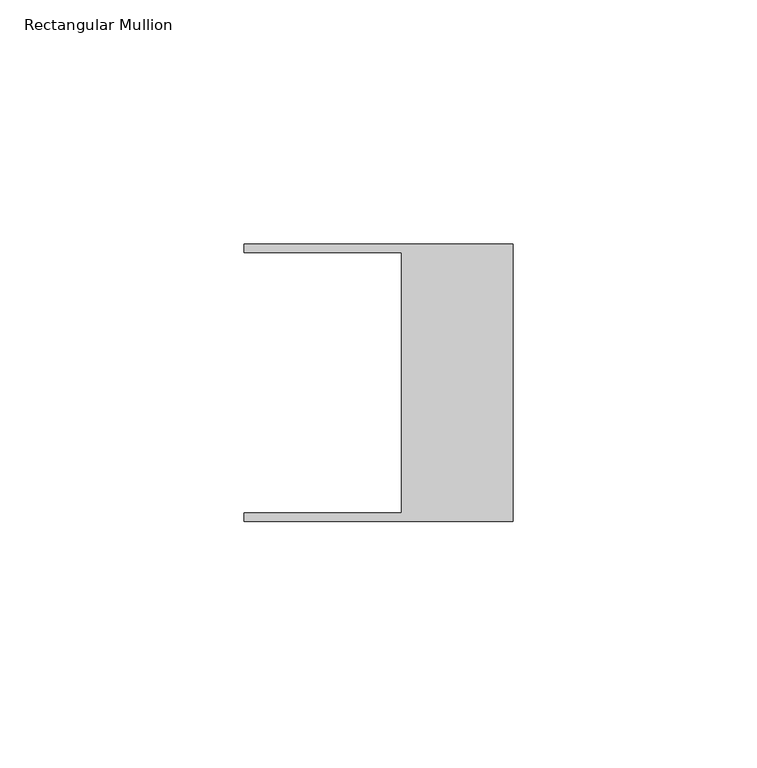
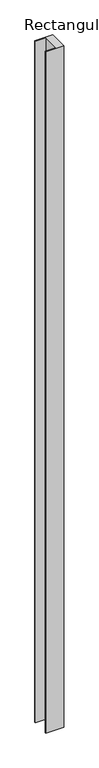
"""IFC4 building model written with IfcOpenShell, lengths in millimetres: member geometry, Rectangular Mullion."""

from ifc_helpers import new_model, si_unit, frame, origin, place, context, project, spatial, polyline, outline, extrude, source, transform, mapped, element, save


def rectangular_mullion_fceb254d(model_context):
    return source(origin(), model_context, "Body", "SweptSolid", [
        extrude(outline(polyline([(-55.118, 26.67), (-55.118, 28.448), (0.0, 28.448), (0.0, -28.448), (-55.118, -28.448), (-55.118, -26.67), (-22.86, -26.67), (-22.86, 26.67), (-55.118, 26.67)])), frame((0.0, 0.0, -2209.8), z_axis=(0.0, 0.0, 1.0), x_axis=(1.0, 0.0, 0.0)), (0.0, 0.0, 1.0), 2209.8),
    ])


if __name__ == "__main__":
    model = new_model("IFC4")
    model_context = context("Model", 3, world=origin())
    ifc_project = project(units=[si_unit("LENGTHUNIT", "METRE", prefix="MILLI")], contexts=[model_context])
    site = spatial("IfcSite", under=ifc_project)
    building = spatial("IfcBuilding", under=site)
    placement = place(None, origin())
    rectangular_mullion_shape = rectangular_mullion_fceb254d(model_context)
    element("IfcMember", 1, ObjectType="Rectangular Mullion", at=placement, inside=building, context=model_context, shape_type="MappedRepresentation", body=[
        mapped(rectangular_mullion_shape, transform((0.0, 0.0, 0.0), x_axis=(1.0, 0.0, 0.0), y_axis=(0.0, 1.0, 0.0), z_axis=(0.0, 0.0, 1.0))),
    ])
    save(model, "model.ifc")
